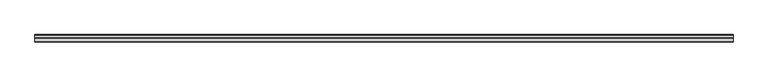
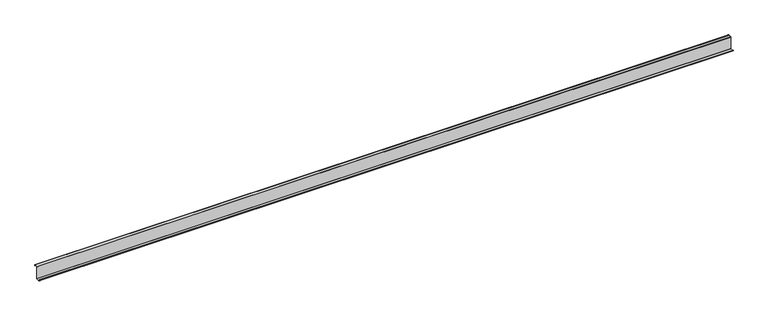
"""IFC4 building model written with IfcOpenShell, lengths in millimetres: member geometry."""

from ifc_helpers import new_model, si_unit, point, frame, frame_2d, origin, place, context, project, spatial, polyline, circle_curve, trimmed, segment, composite_curve, outline, extrude, source, transform, mapped, element, save


def member_0ae3240e(model_context):
    return source(origin(), model_context, "Body", "SweptSolid", [
        extrude(outline(composite_curve([segment(trimmed(circle_curve(frame_2d((-3.5, -123.5)), 3.5), [point((0.0, -123.5))], [point((-3.5, -127.0))], False, "CARTESIAN"), True, "CONTINUOUS"), segment(polyline([(-3.5, -127.0), (-75.0, -127.0)]), True, "CONTINUOUS"), segment(trimmed(circle_curve(frame_2d((-75.0, -123.5)), 3.5), [point((-75.0, -127.0))], [point((-78.5, -123.5))], False, "CARTESIAN"), True, "CONTINUOUS"), segment(polyline([(-78.5, -123.5), (-78.5, -107.5), (-77.0, -107.5), (-77.0, -123.5)]), True, "CONTINUOUS"), segment(trimmed(circle_curve(frame_2d((-75.0, -123.5)), 2.0), [point((-77.0, -123.5))], [point((-75.0, -125.5))], True, "CARTESIAN"), True, "CONTINUOUS"), segment(polyline([(-75.0, -125.5), (-3.5, -125.5)]), True, "CONTINUOUS"), segment(trimmed(circle_curve(frame_2d((-3.5, -123.5)), 2.0), [point((-3.5, -125.5))], [point((-1.5, -123.5))], True, "CARTESIAN"), True, "CONTINUOUS"), segment(polyline([(-1.5, -123.5), (-1.5, 123.5)]), True, "CONTINUOUS"), segment(trimmed(circle_curve(frame_2d((2.0, 123.5)), 3.5), [point((-1.5, 123.5))], [point((2.0, 127.0))], False, "CARTESIAN"), True, "CONTINUOUS"), segment(polyline([(2.0, 127.0), (63.5, 127.0)]), True, "CONTINUOUS"), segment(trimmed(circle_curve(frame_2d((63.5, 123.5)), 3.5), [point((63.5, 127.0))], [point((67.0, 123.5))], False, "CARTESIAN"), True, "CONTINUOUS"), segment(polyline([(67.0, 123.5), (67.0, 107.0), (65.5, 107.0), (65.5, 123.5)]), True, "CONTINUOUS"), segment(trimmed(circle_curve(frame_2d((63.5, 123.5)), 2.0), [point((65.5, 123.5))], [point((63.5, 125.5))], True, "CARTESIAN"), True, "CONTINUOUS"), segment(polyline([(63.5, 125.5), (2.0, 125.5)]), True, "CONTINUOUS"), segment(trimmed(circle_curve(frame_2d((2.0, 123.5)), 2.0), [point((2.0, 125.5))], [point((0.0, 123.5))], True, "CARTESIAN"), True, "CONTINUOUS"), segment(polyline([(0.0, 123.5), (0.0, -123.5)]), True, "CONTINUOUS")], self_intersect=False)), frame((-6956.0, 0.0, 0.0), z_axis=(1.0, 0.0, 0.0), x_axis=(0.0, 1.0, 0.0)), (0.0, 0.0, 1.0), 13912.0),
    ])


if __name__ == "__main__":
    model = new_model("IFC4")
    model_context = context("Model", 3, world=origin())
    ifc_project = project(units=[si_unit("LENGTHUNIT", "METRE", prefix="MILLI")], contexts=[model_context])
    site = spatial("IfcSite", under=ifc_project)
    building = spatial("IfcBuilding", under=site)
    placement = place(None, origin())
    member_shape = member_0ae3240e(model_context)
    element("IfcMember", 1, at=placement, inside=building, context=model_context, shape_type="MappedRepresentation", body=[
        mapped(member_shape, transform((0.0, 0.0, 0.0), x_axis=(1.0, 0.0, 0.0), y_axis=(0.0, 1.0, 0.0), z_axis=(0.0, 0.0, 1.0))),
    ])
    save(model, "model.ifc")
